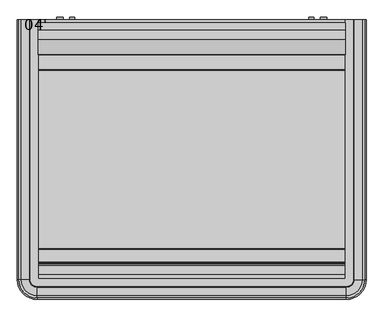
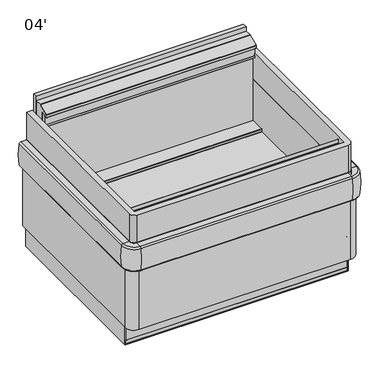
"""IFC4 building model written with IfcOpenShell, lengths in millimetres: proxy geometry, 04'."""

from ifc_helpers import new_model, si_unit, point, frame, frame_2d, origin, origin_with_axes, place, context, project, spatial, polyline, circle_curve, ellipse_curve, trimmed, segment, composite_curve, outline, extrude, source, transform, mapped, element, save
from ifc_brep_helpers import plane_surface, cylinder_surface, revolved_surface, advanced_brep


def proxy_04_933fcef0(model_context):
    return source(origin(), model_context, "Body", "SolidModel", [
        extrude(outline(composite_curve([segment(trimmed(circle_curve(frame_2d((317.9986347, 1144.8778401)), 9.525), [point((317.9986347, 1154.4028401))], [point((317.9986347, 1135.3528401))], False, "CARTESIAN"), True, "CONTINUOUS"), segment(trimmed(circle_curve(frame_2d((317.9986347, 1144.8778401)), 9.525), [point((317.9986347, 1135.3528401))], [point((317.9986347, 1154.4028401))], False, "CARTESIAN"), True, "CONTINUOUS")], self_intersect=False)), frame((0.0, -452.3089273, 0.0), z_axis=(0.0, 1.0, 0.0), x_axis=(0.0, 0.0, 1.0)), (0.0, 0.0, 1.0), 59.4000499),
        extrude(outline(composite_curve([segment(trimmed(circle_curve(frame_2d((317.9986347, 1192.9357681)), 12.7), [point((317.9986347, 1205.6357681))], [point((317.9986347, 1180.2357681))], False, "CARTESIAN"), True, "CONTINUOUS"), segment(trimmed(circle_curve(frame_2d((317.9986347, 1192.9357681)), 12.7), [point((317.9986347, 1180.2357681))], [point((317.9986347, 1205.6357681))], False, "CARTESIAN"), True, "CONTINUOUS")], self_intersect=False)), frame((0.0, -452.3089273, 0.0), z_axis=(0.0, 1.0, 0.0), x_axis=(0.0, 0.0, 1.0)), (0.0, 0.0, 1.0), 59.4000499),
        extrude(outline(composite_curve([segment(trimmed(circle_curve(frame_2d((317.9986347, 214.0221599)), 9.525), [point((317.9986347, 223.5471599))], [point((317.9986347, 204.4971599))], False, "CARTESIAN"), True, "CONTINUOUS"), segment(trimmed(circle_curve(frame_2d((317.9986347, 214.0221599)), 9.525), [point((317.9986347, 204.4971599))], [point((317.9986347, 223.5471599))], False, "CARTESIAN"), True, "CONTINUOUS")], self_intersect=False)), frame((0.0, -452.3089273, 0.0), z_axis=(0.0, 1.0, 0.0), x_axis=(0.0, 0.0, 1.0)), (0.0, 0.0, 1.0), 59.4000499),
        extrude(outline(composite_curve([segment(trimmed(circle_curve(frame_2d((317.9986347, 165.9642319)), 12.7), [point((317.9986347, 178.6642319))], [point((317.9986347, 153.2642319))], False, "CARTESIAN"), True, "CONTINUOUS"), segment(trimmed(circle_curve(frame_2d((317.9986347, 165.9642319)), 12.7), [point((317.9986347, 153.2642319))], [point((317.9986347, 178.6642319))], False, "CARTESIAN"), True, "CONTINUOUS")], self_intersect=False)), frame((0.0, -452.3089273, 0.0), z_axis=(0.0, 1.0, 0.0), x_axis=(0.0, 0.0, 1.0)), (0.0, 0.0, 1.0), 59.4000499),
        extrude(outline(composite_curve([segment(trimmed(circle_curve(frame_2d((1282.7, -1414.3339273)), 28.3221422), [point((1311.0221422, -1414.3339273))], [point((1282.7, -1442.6560695))], False, "CARTESIAN"), True, "CONTINUOUS"), segment(polyline([(1282.7, -1442.6560695), (76.2, -1442.6560695)]), True, "CONTINUOUS"), segment(trimmed(circle_curve(frame_2d((76.2, -1414.3339273)), 28.3221422), [point((76.2, -1442.6560695))], [point((47.8778578, -1414.3339273))], False, "CARTESIAN"), True, "CONTINUOUS"), segment(polyline([(47.8778578, -1414.3339273), (47.8778578, -401.5089273), (80.6024558, -401.5089273), (80.6024558, -1409.9314715), (1278.2975442, -1409.9314715), (1278.2975442, -401.5089273), (1311.0221422, -401.5089273), (1311.0221422, -1414.3339273)]), True, "CONTINUOUS")], self_intersect=False)), frame((0.0, 0.0, 235.0379424), z_axis=(0.0, 0.0, 1.0), x_axis=(1.0, 0.0, 0.0)), (0.0, 0.0, 1.0), 406.3048682),
        extrude(outline(composite_curve([segment(polyline([(1311.0221422, -401.5089273), (1333.3649889, -401.5089273), (1333.3649889, -1414.3339273)]), True, "CONTINUOUS"), segment(trimmed(circle_curve(frame_2d((1282.7, -1414.3339273)), 50.6649889), [point((1333.3649889, -1414.3339273))], [point((1282.7, -1464.9989162))], False, "CARTESIAN"), True, "CONTINUOUS"), segment(polyline([(1282.7, -1464.9989162), (76.2, -1464.9989162)]), True, "CONTINUOUS"), segment(trimmed(circle_curve(frame_2d((76.2, -1414.3339273)), 50.6649889), [point((76.2, -1464.9989162))], [point((25.5350111, -1414.3339273))], False, "CARTESIAN"), True, "CONTINUOUS"), segment(polyline([(25.5350111, -1414.3339273), (25.5350111, -401.5089273), (47.8778578, -401.5089273), (47.8778578, -1414.3339273)]), True, "CONTINUOUS"), segment(trimmed(circle_curve(frame_2d((76.2, -1414.3339273)), 28.3221422), [point((47.8778578, -1414.3339273))], [point((76.2, -1442.6560695))], True, "CARTESIAN"), True, "CONTINUOUS"), segment(polyline([(76.2, -1442.6560695), (1282.7, -1442.6560695)]), True, "CONTINUOUS"), segment(trimmed(circle_curve(frame_2d((1282.7, -1414.3339273)), 28.3221422), [point((1282.7, -1442.6560695))], [point((1311.0221422, -1414.3339273))], True, "CARTESIAN"), True, "CONTINUOUS"), segment(polyline([(1311.0221422, -1414.3339273), (1311.0221422, -401.5089273)]), True, "CONTINUOUS")], self_intersect=False)), frame((0.0, 0.0, 131.08305), z_axis=(0.0, 0.0, 1.0), x_axis=(1.0, 0.0, 0.0)), (0.0, 0.0, 1.0), 401.8781033),
        extrude(outline(composite_curve([segment(polyline([(1282.7, -1416.8739273), (76.2, -1416.8739273)]), True, "CONTINUOUS"), segment(trimmed(circle_curve(frame_2d((76.2, -1414.3339273)), 2.54), [point((76.2, -1416.8739273))], [point((73.66, -1414.3339273))], False, "CARTESIAN"), True, "CONTINUOUS"), segment(polyline([(73.66, -1414.3339273), (73.66, -401.5089273), (80.6024558, -401.5089273), (80.6024558, -1409.9314715), (1278.2975442, -1409.9314715), (1278.2975442, -401.5089273), (1285.24, -401.5089273), (1285.24, -1414.3339273)]), True, "CONTINUOUS"), segment(trimmed(circle_curve(frame_2d((1282.7, -1414.3339273)), 2.54), [point((1285.24, -1414.3339273))], [point((1282.7, -1416.8739273))], False, "CARTESIAN"), True, "CONTINUOUS")], self_intersect=False)), frame((0.0, 0.0, 131.08305), z_axis=(0.0, 0.0, 1.0), x_axis=(1.0, 0.0, 0.0)), (0.0, 0.0, 1.0), 104.2859318),
        extrude(outline(polyline([(-1292.6303734, 131.08305), (-1416.8739273, 131.08305), (-1416.8739273, 235.3689818), (-1292.6303734, 131.08305)])), frame((80.6024558, 0.0, 0.0), z_axis=(1.0, 0.0, 0.0), x_axis=(0.0, 1.0, 0.0)), (0.0, 0.0, 1.0), 1197.6950883),
        extrude(outline(composite_curve([segment(trimmed(circle_curve(frame_2d((1282.7, -1412.3863831)), 27.3475442), [point((1310.0475442, -1412.3863831))], [point((1282.7, -1439.7339273))], False, "CARTESIAN"), True, "CONTINUOUS"), segment(polyline([(1282.7, -1439.7339273), (76.2, -1439.7339273)]), True, "CONTINUOUS"), segment(trimmed(circle_curve(frame_2d((76.2, -1412.3863831)), 27.3475442), [point((76.2, -1439.7339273))], [point((48.8524558, -1412.3863831))], False, "CARTESIAN"), True, "CONTINUOUS"), segment(polyline([(48.8524558, -1412.3863831), (48.8524558, -401.5089273), (80.6024558, -401.5089273), (80.6024558, -1409.9314715), (1278.2975442, -1409.9314715), (1278.2975442, -401.5089273), (1310.0475442, -401.5089273), (1310.0475442, -1412.3863831)]), True, "CONTINUOUS")], self_intersect=False)), frame((0.0, 0.0, 605.16135), z_axis=(0.0, 0.0, 1.0), x_axis=(1.0, 0.0, 0.0)), (0.0, 0.0, 1.0), 201.2814606),
        extrude(outline(composite_curve([segment(polyline([(1285.24, -401.5089273), (1311.0221422, -401.5089273), (1311.0221422, -1414.3339273)]), True, "CONTINUOUS"), segment(trimmed(circle_curve(frame_2d((1282.7, -1414.3339273)), 28.3221422), [point((1311.0221422, -1414.3339273))], [point((1282.7, -1442.6560695))], False, "CARTESIAN"), True, "CONTINUOUS"), segment(polyline([(1282.7, -1442.6560695), (76.2, -1442.6560695)]), True, "CONTINUOUS"), segment(trimmed(circle_curve(frame_2d((76.2, -1414.3339273)), 28.3221422), [point((76.2, -1442.6560695))], [point((47.8778578, -1414.3339273))], False, "CARTESIAN"), True, "CONTINUOUS"), segment(polyline([(47.8778578, -1414.3339273), (47.8778578, -401.5089273), (73.66, -401.5089273), (73.66, -1414.3339273)]), True, "CONTINUOUS"), segment(trimmed(circle_curve(frame_2d((76.2, -1414.3339273)), 2.54), [point((73.66, -1414.3339273))], [point((76.2, -1416.8739273))], True, "CARTESIAN"), True, "CONTINUOUS"), segment(polyline([(76.2, -1416.8739273), (1282.7, -1416.8739273)]), True, "CONTINUOUS"), segment(trimmed(circle_curve(frame_2d((1282.7, -1414.3339273)), 2.54), [point((1282.7, -1416.8739273))], [point((1285.24, -1414.3339273))], True, "CARTESIAN"), True, "CONTINUOUS"), segment(polyline([(1285.24, -1414.3339273), (1285.24, -401.5089273)]), True, "CONTINUOUS")], self_intersect=False)), frame((0.0, 0.0, 131.08305), z_axis=(0.0, 0.0, 1.0), x_axis=(1.0, 0.0, 0.0)), (0.0, 0.0, 1.0), 104.2859318),
        advanced_brep(
        [(1310.0475442, -401.5089273, 641.3428106), (1343.4601969, -401.5089273, 640.221665), (1353.1473948, -401.5089273, 631.8685746), (1352.559392, -401.5089273, 502.003267), (1346.5468318, -401.5089273, 496.8639648), (1333.3649889, -401.5089273, 496.4486533), (1311.0221422, -401.5089273, 496.4486533), (1311.0221422, -401.5089273, 605.16135), (1310.0475442, -401.5089273, 605.16135), (1310.0475442, -1414.3339273, 641.3428106), (1343.4601969, -1414.3339273, 640.221665), (1353.1473948, -1414.3339273, 631.8685746), (1352.559392, -1414.3339273, 502.003267), (1346.5468318, -1414.3339273, 496.8639648), (1333.3649889, -1414.3339273, 496.4486533), (1282.7, -1464.9989162, 496.4486533), (76.2, -1464.9989162, 496.4486533), (25.5350111, -1414.3339273, 496.4486533), (25.5350111, -401.5089273, 496.4486533), (47.8778578, -401.5089273, 496.4486533), (47.8778578, -1414.3339273, 496.4486533), (76.2, -1442.6560695, 496.4486533), (1282.7, -1442.6560695, 496.4486533), (1311.0221422, -1414.3339273, 496.4486533), (1311.0221422, -1414.3339273, 605.16135), (1282.7, -1442.6560695, 605.16135), (76.2, -1442.6560695, 605.16135), (47.8778578, -1414.3339273, 605.16135), (47.8778578, -401.5089273, 605.16135), (48.8524558, -401.5089273, 605.16135), (48.8524558, -1414.3339273, 605.16135), (76.2, -1441.6814715, 605.16135), (1282.7, -1441.6814715, 605.16135), (1310.0475442, -1414.3339273, 605.16135), (1282.7, -1475.0941242, 640.221665), (1282.7, -1441.6814715, 641.3428106), (1282.7, -1484.7813221, 631.8685746), (1282.7, -1484.1933193, 502.003267), (1282.7, -1478.1807591, 496.8639648), (76.2, -1441.6814715, 641.3428106), (76.2, -1475.0941242, 640.221665), (76.2, -1484.7813221, 631.8685746), (76.2, -1484.1933193, 502.003267), (76.2, -1478.1807591, 496.8639648), (15.4398031, -1414.3339273, 640.221665), (48.8524558, -1414.3339273, 641.3428106), (5.7526052, -1414.3339273, 631.8685746), (6.340608, -1414.3339273, 502.003267), (12.3531682, -1414.3339273, 496.8639648), (48.8524558, -401.5089273, 641.3428106), (12.3531682, -401.5089273, 496.8639648), (6.340608, -401.5089273, 502.003267), (5.7526052, -401.5089273, 631.8685746), (15.4398031, -401.5089273, 640.221665)],
        [
            (0, 1),
            (1, 2, circle_curve(frame((1343.118267, -401.5089273, 630.0313881), z_axis=(0.0, 1.0, 0.0), x_axis=(1.0, 0.0, 0.0)), 10.1960119)),
            (2, 3, circle_curve(frame((1007.2255157, -401.5089273, 568.5008514), z_axis=(0.0, 1.0, 0.0), x_axis=(1.0, 0.0, 0.0)), 351.6779988)),
            (3, 4, circle_curve(frame((1346.3316277, -401.5089273, 503.202487), z_axis=(0.0, 1.0, 0.0), x_axis=(1.0, 0.0, 0.0)), 6.3421744)),
            (4, 5),
            (5, 6),
            (6, 7),
            (7, 8),
            (8, 0),
            (0, 9),
            (9, 10),
            (10, 1),
            (10, 11, circle_curve(frame((1343.118267, -1414.3339273, 630.0313881), z_axis=(0.0, 1.0, 0.0), x_axis=(1.0, 0.0, 0.0)), 10.1960119)),
            (11, 2),
            (11, 12, circle_curve(frame((1007.2255157, -1414.3339273, 568.5008514), z_axis=(0.0, 1.0, 0.0), x_axis=(1.0, 0.0, 0.0)), 351.6779988)),
            (12, 3),
            (12, 13, circle_curve(frame((1346.3316277, -1414.3339273, 503.202487), z_axis=(0.0, 1.0, 0.0), x_axis=(1.0, 0.0, 0.0)), 6.3421744)),
            (13, 4),
            (13, 14),
            (14, 5),
            (14, 15, circle_curve(frame((1282.7, -1414.3339273, 496.4486533), z_axis=(0.0, 0.0, -1.0), x_axis=(1.0, 0.0, 0.0)), 50.6649889)),
            (15, 16),
            (16, 17, circle_curve(frame((76.2, -1414.3339273, 496.4486533), z_axis=(0.0, 0.0, -1.0), x_axis=(0.0, -1.0, 0.0)), 50.6649889)),
            (17, 18),
            (18, 19),
            (19, 20),
            (20, 21, circle_curve(frame((76.2, -1414.3339273, 496.4486533), z_axis=(0.0, 0.0, 1.0), x_axis=(0.0, -1.0, 0.0)), 28.3221422)),
            (21, 22),
            (22, 23, circle_curve(frame((1282.7, -1414.3339273, 496.4486533), z_axis=(0.0, 0.0, 1.0), x_axis=(1.0, 0.0, 0.0)), 28.3221422)),
            (23, 6),
            (23, 24),
            (24, 7),
            (24, 25, circle_curve(frame((1282.7, -1414.3339273, 605.16135), z_axis=(0.0, 0.0, -1.0), x_axis=(1.0, 0.0, 0.0)), 28.3221422)),
            (25, 26),
            (26, 27, circle_curve(frame((76.2, -1414.3339273, 605.16135), z_axis=(0.0, 0.0, -1.0), x_axis=(0.0, -1.0, 0.0)), 28.3221422)),
            (27, 28),
            (28, 29),
            (29, 30),
            (30, 31, circle_curve(frame((76.2, -1414.3339273, 605.16135), z_axis=(0.0, 0.0, 1.0), x_axis=(0.0, -1.0, 0.0)), 27.3475442)),
            (31, 32),
            (32, 33, circle_curve(frame((1282.7, -1414.3339273, 605.16135), z_axis=(0.0, 0.0, 1.0), x_axis=(1.0, 0.0, 0.0)), 27.3475442)),
            (33, 8),
            (33, 9),
            (34, 10, circle_curve(frame((1282.7, -1414.3339273, 640.221665), z_axis=(0.0, 0.0, 1.0), x_axis=(1.0, 0.0, 0.0)), 60.7601969)),
            (9, 35, circle_curve(frame((1282.7, -1414.3339273, 641.3428106), z_axis=(0.0, 0.0, -1.0), x_axis=(1.0, 0.0, 0.0)), 27.3475442)),
            (35, 34),
            (36, 11, circle_curve(frame((1282.7, -1414.3339273, 631.8685746), z_axis=(0.0, 0.0, 1.0), x_axis=(1.0, 0.0, 0.0)), 70.4473948)),
            (34, 36, circle_curve(frame((1282.7, -1474.7521943, 630.0313881), z_axis=(1.0, 0.0, 0.0), x_axis=(0.0, -1.0, 0.0)), 10.1960119)),
            (37, 12, circle_curve(frame((1282.7, -1414.3339273, 502.003267), z_axis=(0.0, 0.0, 1.0), x_axis=(1.0, 0.0, 0.0)), 69.859392)),
            (36, 37, circle_curve(frame((1282.7, -1138.859443, 568.5008514), z_axis=(1.0, 0.0, 0.0), x_axis=(0.0, -1.0, 0.0)), 351.6779988)),
            (38, 13, circle_curve(frame((1282.7, -1414.3339273, 496.8639648), z_axis=(0.0, 0.0, 1.0), x_axis=(1.0, 0.0, 0.0)), 63.8468318)),
            (37, 38, circle_curve(frame((1282.7, -1477.965555, 503.202487), z_axis=(1.0, 0.0, 0.0), x_axis=(0.0, -1.0, 0.0)), 6.3421744)),
            (38, 15),
            (22, 25),
            (32, 35),
            (35, 39),
            (39, 40),
            (40, 34),
            (40, 41, circle_curve(frame((76.2, -1474.7521943, 630.0313881), z_axis=(1.0, 0.0, 0.0), x_axis=(0.0, -1.0, 0.0)), 10.1960119)),
            (41, 36),
            (41, 42, circle_curve(frame((76.2, -1138.859443, 568.5008514), z_axis=(1.0, 0.0, 0.0), x_axis=(0.0, -1.0, 0.0)), 351.6779988)),
            (42, 37),
            (42, 43, circle_curve(frame((76.2, -1477.965555, 503.202487), z_axis=(1.0, 0.0, 0.0), x_axis=(0.0, -1.0, 0.0)), 6.3421744)),
            (43, 38),
            (43, 16),
            (21, 26),
            (31, 39),
            (44, 40, circle_curve(frame((76.2, -1414.3339273, 640.221665), z_axis=(0.0, 0.0, 1.0), x_axis=(0.0, -1.0, 0.0)), 60.7601969)),
            (39, 45, circle_curve(frame((76.2, -1414.3339273, 641.3428106), z_axis=(0.0, 0.0, -1.0), x_axis=(0.0, -1.0, 0.0)), 27.3475442)),
            (45, 44),
            (46, 41, circle_curve(frame((76.2, -1414.3339273, 631.8685746), z_axis=(0.0, 0.0, 1.0), x_axis=(0.0, -1.0, 0.0)), 70.4473948)),
            (44, 46, circle_curve(frame((15.781733, -1414.3339273, 630.0313881), z_axis=(0.0, -1.0, 0.0), x_axis=(-1.0, 0.0, 0.0)), 10.1960119)),
            (47, 42, circle_curve(frame((76.2, -1414.3339273, 502.003267), z_axis=(0.0, 0.0, 1.0), x_axis=(0.0, -1.0, 0.0)), 69.859392)),
            (46, 47, circle_curve(frame((351.6744843, -1414.3339273, 568.5008514), z_axis=(0.0, -1.0, 0.0), x_axis=(-1.0, 0.0, 0.0)), 351.6779988)),
            (48, 43, circle_curve(frame((76.2, -1414.3339273, 496.8639648), z_axis=(0.0, 0.0, 1.0), x_axis=(0.0, -1.0, 0.0)), 63.8468318)),
            (47, 48, circle_curve(frame((12.5683723, -1414.3339273, 503.202487), z_axis=(0.0, -1.0, 0.0), x_axis=(-1.0, 0.0, 0.0)), 6.3421744)),
            (48, 17),
            (20, 27),
            (30, 45),
            (49, 29),
            (28, 19),
            (18, 50),
            (50, 51, circle_curve(frame((12.5683723, -401.5089273, 503.202487), z_axis=(0.0, 1.0, 0.0), x_axis=(-1.0, 0.0, 0.0)), 6.3421744)),
            (51, 52, circle_curve(frame((351.6744843, -401.5089273, 568.5008514), z_axis=(0.0, 1.0, 0.0), x_axis=(-1.0, 0.0, 0.0)), 351.6779988)),
            (52, 53, circle_curve(frame((15.781733, -401.5089273, 630.0313881), z_axis=(0.0, 1.0, 0.0), x_axis=(-1.0, 0.0, 0.0)), 10.1960119)),
            (53, 49),
            (45, 49),
            (53, 44),
            (52, 46),
            (51, 47),
            (50, 48),
        ],
        [
            plane_surface(frame((1358.9, -401.5089273, 0.0), z_axis=(0.0, 1.0, 0.0), x_axis=(0.0, 0.0, 1.0))),
            plane_surface(frame((1310.0475442, -401.5089273, 641.3428106), z_axis=(0.03353564977576261, 0.0, 0.9994375219062558), x_axis=(0.0, -1.0, 0.0))),
            cylinder_surface(frame((1343.118267, -401.5089273, 630.0313881), z_axis=(0.0, 1.0, 0.0), x_axis=(1.0, 0.0, 0.0)), 10.1960119),
            cylinder_surface(frame((1007.2255157, -401.5089273, 568.5008514), z_axis=(0.0, 1.0, 0.0), x_axis=(1.0, 0.0, 0.0)), 351.6779988),
            cylinder_surface(frame((1346.3316277, -401.5089273, 503.202487), z_axis=(0.0, 1.0, 0.0), x_axis=(1.0, 0.0, 0.0)), 6.3421744),
            plane_surface(frame((1346.5468318, -401.5089273, 496.8639648), z_axis=(0.031490711063459, 0.0, -0.9995040445724659), x_axis=(0.0, -1.0, 0.0))),
            plane_surface(frame((1333.3649889, -401.5089273, 496.4486533), z_axis=(0.0, 0.0, -1.0), x_axis=(0.0, -1.0, 0.0))),
            plane_surface(frame((1311.0221422, -401.5089273, 496.4486533), z_axis=(-1.0, 0.0, 0.0), x_axis=(0.0, -1.0, 0.0))),
            plane_surface(frame((1311.0221422, -401.5089273, 605.16135), z_axis=(0.0, 0.0, -1.0), x_axis=(0.0, -1.0, 0.0))),
            plane_surface(frame((1310.0475442, -401.5089273, 605.16135), z_axis=(-1.0, 0.0, 0.0), x_axis=(0.0, -1.0, 0.0))),
            revolved_surface(polyline([(1310.0475442, -1414.3339273, 641.3428106), (1343.4601969, -1414.3339273, 640.221665)]), (1282.7, -1414.3339273, 0.0), (0.0, 0.0, -1.0)),
            revolved_surface(trimmed(ellipse_curve(frame((1343.118267, -1414.3339273, 630.0313881), z_axis=(0.0, 1.0, 0.0), x_axis=(1.0, 0.0, 0.0)), 10.1960119, 10.1960119), [point((1343.4601969, -1414.3339273, 640.221665))], [point((1353.1473948, -1414.3339273, 631.8685746))], True, "CARTESIAN"), (1282.7, -1414.3339273, 0.0), (0.0, 0.0, -1.0)),
            revolved_surface(trimmed(ellipse_curve(frame((1007.2255157, -1414.3339273, 568.5008514), z_axis=(0.0, 1.0, 0.0), x_axis=(1.0, 0.0, 0.0)), 351.6779988, 351.6779988), [point((1353.1473948, -1414.3339273, 631.8685746))], [point((1352.559392, -1414.3339273, 502.003267))], True, "CARTESIAN"), (1282.7, -1414.3339273, 0.0), (0.0, 0.0, -1.0)),
            revolved_surface(trimmed(ellipse_curve(frame((1346.3316277, -1414.3339273, 503.202487), z_axis=(0.0, 1.0, 0.0), x_axis=(1.0, 0.0, 0.0)), 6.3421744, 6.3421744), [point((1352.559392, -1414.3339273, 502.003267))], [point((1346.5468318, -1414.3339273, 496.8639648))], True, "CARTESIAN"), (1282.7, -1414.3339273, 0.0), (0.0, 0.0, -1.0)),
            revolved_surface(polyline([(1346.5468318, -1414.3339273, 496.8639648), (1333.3649889, -1414.3339273, 496.4486533)]), (1282.7, -1414.3339273, 0.0), (0.0, 0.0, -1.0)),
            revolved_surface(polyline([(1311.0221422, -1414.3339273, 496.4486533), (1311.0221422, -1414.3339273, 605.16135)]), (1282.7, -1414.3339273, 0.0), (0.0, 0.0, -1.0)),
            revolved_surface(polyline([(1310.0475442, -1414.3339273, 605.16135), (1310.0475442, -1414.3339273, 641.3428106)]), (1282.7, -1414.3339273, 0.0), (0.0, 0.0, -1.0)),
            plane_surface(frame((1282.7, -1441.6814715, 641.3428106), z_axis=(0.0, -0.03353564977576261, 0.9994375219062558), x_axis=(-1.0, 0.0, 0.0))),
            cylinder_surface(frame((1282.7, -1474.7521943, 630.0313881), z_axis=(1.0, 0.0, 0.0), x_axis=(0.0, -1.0, 0.0)), 10.1960119),
            cylinder_surface(frame((1282.7, -1138.859443, 568.5008514), z_axis=(1.0, 0.0, 0.0), x_axis=(0.0, -1.0, 0.0)), 351.6779988),
            cylinder_surface(frame((1282.7, -1477.965555, 503.202487), z_axis=(1.0, 0.0, 0.0), x_axis=(0.0, -1.0, 0.0)), 6.3421744),
            plane_surface(frame((1282.7, -1478.1807591, 496.8639648), z_axis=(0.0, -0.031490711063459, -0.9995040445724659), x_axis=(-1.0, 0.0, 0.0))),
            plane_surface(frame((1282.7, -1442.6560695, 496.4486533), z_axis=(0.0, 1.0, 0.0), x_axis=(-1.0, 0.0, 0.0))),
            plane_surface(frame((1282.7, -1441.6814715, 605.16135), z_axis=(0.0, 1.0, 0.0), x_axis=(-1.0, 0.0, 0.0))),
            revolved_surface(polyline([(76.2, -1441.6814715, 641.3428106), (76.2, -1475.0941242, 640.221665)]), (76.2, -1414.3339273, 0.0), (0.0, 0.0, -1.0)),
            revolved_surface(trimmed(ellipse_curve(frame((76.2, -1474.7521943, 630.0313881), z_axis=(1.0, 0.0, 0.0), x_axis=(0.0, -1.0, 0.0)), 10.1960119, 10.1960119), [point((76.2, -1475.0941242, 640.221665))], [point((76.2, -1484.7813221, 631.8685746))], True, "CARTESIAN"), (76.2, -1414.3339273, 0.0), (0.0, 0.0, -1.0)),
            revolved_surface(trimmed(ellipse_curve(frame((76.2, -1138.859443, 568.5008514), z_axis=(1.0, 0.0, 0.0), x_axis=(0.0, -1.0, 0.0)), 351.6779988, 351.6779988), [point((76.2, -1484.7813221, 631.8685746))], [point((76.2, -1484.1933193, 502.003267))], True, "CARTESIAN"), (76.2, -1414.3339273, 0.0), (0.0, 0.0, -1.0)),
            revolved_surface(trimmed(ellipse_curve(frame((76.2, -1477.965555, 503.202487), z_axis=(1.0, 0.0, 0.0), x_axis=(0.0, -1.0, 0.0)), 6.3421744, 6.3421744), [point((76.2, -1484.1933193, 502.003267))], [point((76.2, -1478.1807591, 496.8639648))], True, "CARTESIAN"), (76.2, -1414.3339273, 0.0), (0.0, 0.0, -1.0)),
            revolved_surface(polyline([(76.2, -1478.1807591, 496.8639648), (76.2, -1464.9989162, 496.4486533)]), (76.2, -1414.3339273, 0.0), (0.0, 0.0, -1.0)),
            revolved_surface(polyline([(76.2, -1442.6560694999998, 496.4486533), (76.2, -1442.6560694999998, 605.16135)]), (76.2, -1414.3339273, 0.0), (0.0, 0.0, -1.0)),
            revolved_surface(polyline([(76.2, -1441.6814714999998, 605.16135), (76.2, -1441.6814714999998, 641.3428106)]), (76.2, -1414.3339273, 0.0), (0.0, 0.0, -1.0)),
            plane_surface(frame((0.0, -401.5089273, 0.0), z_axis=(0.0, 1.0, 0.0), x_axis=(0.0, 0.0, 1.0))),
            plane_surface(frame((48.8524558, -1414.3339273, 641.3428106), z_axis=(-0.03353564977576261, 0.0, 0.9994375219062558), x_axis=(0.0, 1.0, 0.0))),
            cylinder_surface(frame((15.781733, -1414.3339273, 630.0313881), z_axis=(0.0, -1.0, 0.0), x_axis=(-1.0, 0.0, 0.0)), 10.1960119),
            cylinder_surface(frame((351.6744843, -1414.3339273, 568.5008514), z_axis=(0.0, -1.0, 0.0), x_axis=(-1.0, 0.0, 0.0)), 351.6779988),
            cylinder_surface(frame((12.5683723, -1414.3339273, 503.202487), z_axis=(0.0, -1.0, 0.0), x_axis=(-1.0, 0.0, 0.0)), 6.3421744),
            plane_surface(frame((12.3531682, -1414.3339273, 496.8639648), z_axis=(-0.031490711063459, 0.0, -0.9995040445724659), x_axis=(0.0, 1.0, 0.0))),
            plane_surface(frame((47.8778578, -1414.3339273, 496.4486533), z_axis=(1.0, 0.0, 0.0), x_axis=(0.0, 1.0, 0.0))),
            plane_surface(frame((48.8524558, -1414.3339273, 605.16135), z_axis=(1.0, 0.0, 0.0), x_axis=(0.0, 1.0, 0.0))),
        ],
        [
            (0, [[1, 2, 3, 4, 5, 6, 7, 8, 9]]),
            (1, [[-1, 10, 11, 12]]),
            (2, [[-2, -12, 13, 14]]),
            (3, [[-3, -14, 15, 16]]),
            (4, [[-4, -16, 17, 18]]),
            (5, [[-5, -18, 19, 20]]),
            (6, [[-6, -20, 21, 22, 23, 24, 25, 26, 27, 28, 29, 30]]),
            (7, [[-7, -30, 31, 32]]),
            (8, [[-8, -32, 33, 34, 35, 36, 37, 38, 39, 40, 41, 42]]),
            (9, [[-9, -42, 43, -10]]),
            (10, [[44, -11, 45, 46]]),
            (11, [[47, -13, -44, 48]]),
            (12, [[49, -15, -47, 50]]),
            (13, [[51, -17, -49, 52]]),
            (14, [[-21, -19, -51, 53]]),
            (15, [[-33, -31, -29, 54]]),
            (16, [[-45, -43, -41, 55]]),
            (17, [[-46, 56, 57, 58]]),
            (18, [[-48, -58, 59, 60]]),
            (19, [[-50, -60, 61, 62]]),
            (20, [[-52, -62, 63, 64]]),
            (21, [[-53, -64, 65, -22]]),
            (22, [[-54, -28, 66, -34]]),
            (23, [[-55, -40, 67, -56]]),
            (24, [[68, -57, 69, 70]]),
            (25, [[71, -59, -68, 72]]),
            (26, [[73, -61, -71, 74]]),
            (27, [[75, -63, -73, 76]]),
            (28, [[-23, -65, -75, 77]]),
            (29, [[-35, -66, -27, 78]]),
            (30, [[-69, -67, -39, 79]]),
            (31, [[80, -37, 81, -25, 82, 83, 84, 85, 86]]),
            (32, [[-70, 87, -86, 88]]),
            (33, [[-72, -88, -85, 89]]),
            (34, [[-74, -89, -84, 90]]),
            (35, [[-76, -90, -83, 91]]),
            (36, [[-77, -91, -82, -24]]),
            (37, [[-78, -26, -81, -36]]),
            (38, [[-79, -38, -80, -87]]),
        ],
    ),
        extrude(outline(polyline([(1278.2975442, -1349.9979946), (1278.2975442, -1352.3601946), (80.6024558, -1352.3601946), (80.6024558, -1349.9979946), (1278.2975442, -1349.9979946)])), frame((0.0, 0.0, 768.3976297), z_axis=(0.0, 0.0, 1.0), x_axis=(1.0, 0.0, 0.0)), (0.0, 0.0, 1.0), 20.6375),
        extrude(outline(composite_curve([segment(polyline([(-466.0260695, 638.82905), (-466.0260695, 362.9185642), (-510.0315695, 362.9185642), (-510.0315695, 779.5768), (-525.4398445, 779.5768), (-525.4398445, 792.2768), (-524.6524445, 792.2768), (-524.6524445, 781.1008)]), True, "CONTINUOUS"), segment(trimmed(circle_curve(frame_2d((-523.9158445, 781.1008)), 0.7366), [point((-524.6524445, 781.1008))], [point((-523.9158445, 780.3642))], True, "CARTESIAN"), True, "CONTINUOUS"), segment(polyline([(-523.9158445, 780.3642), (-500.8399445, 780.3642), (-500.8399445, 855.6763586), (-524.6524445, 855.6763586), (-524.6524445, 844.8689886), (-537.4667445, 844.8689886)]), True, "CONTINUOUS"), segment(trimmed(circle_curve(frame_2d((-537.4667445, 846.4183886)), 1.5494), [point((-537.4667445, 844.8689886))], [point((-539.0161445, 846.4183886))], False, "CARTESIAN"), True, "CONTINUOUS"), segment(polyline([(-539.0161445, 846.4183886), (-539.0161445, 862.1408304)]), True, "CONTINUOUS"), segment(trimmed(circle_curve(frame_2d((-537.4002125, 862.0942442)), 1.6166033), [point((-539.0161445, 862.1408304))], [point((-537.9966705, 863.5967902))], False, "CARTESIAN"), True, "CONTINUOUS"), segment(polyline([(-537.9966705, 863.5967902), (-478.0021695, 887.4125), (-478.0021695, 889.0), (-440.3466695, 889.0), (-440.3466695, 638.82905), (-466.0260695, 638.82905)]), True, "CONTINUOUS")], self_intersect=False)), frame((80.6024558, 0.0, 0.0), z_axis=(1.0, 0.0, 0.0), x_axis=(0.0, 1.0, 0.0)), (0.0, 0.0, 1.0), 1197.6950883),
        advanced_brep(
        [(1278.2975442, -416.2166695, 638.82905), (1278.2975442, -466.0260695, 638.82905), (1278.2975442, -466.0260695, 364.8788408), (1278.2975442, -613.5486301, 212.1147573), (1278.2975442, -1032.7470331, 197.4760265), (1278.2975442, -1112.6544304, 157.1215157), (1278.2975442, -1169.5157709, 155.1358739), (1278.2975442, -1255.0235804, 191.0703964), (1278.2975442, -1392.8681146, 343.1885855), (1278.2975442, -1392.8681146, 388.372604), (1278.2975442, -1442.6560695, 388.372604), (1278.2975442, -1442.6560695, 257.0096595), (1278.2975442, -1292.6303734, 131.08305), (1278.2975442, -416.2166695, 131.08305), (80.6024558, -416.2166695, 638.82905), (80.6024558, -416.2166695, 131.08305), (80.6024558, -1292.6303734, 131.08305), (80.6024558, -1442.6560695, 257.0096595), (80.6024558, -1442.6560695, 388.372604), (80.6024558, -1392.8681146, 388.372604), (80.6024558, -1392.8681146, 343.1885855), (80.6024558, -1255.0235804, 191.0703964), (80.6024558, -1169.5157709, 155.1358739), (80.6024558, -1112.6544304, 157.1215157), (80.6024558, -1032.7470331, 197.4760265), (80.6024558, -613.5486301, 212.1147573), (80.6024558, -466.0260695, 364.8788408), (80.6024558, -466.0260695, 638.82905), (1221.446052, -416.2166695, 317.5), (1119.846052, -416.2166695, 317.5), (239.053948, -416.2166695, 317.5), (137.453948, -416.2166695, 317.5), (1119.846052, -452.3089273, 317.5), (1221.446052, -452.3089273, 317.5), (137.453948, -452.3089273, 317.5), (239.053948, -452.3089273, 317.5)],
        [
            (0, 1),
            (1, 2),
            (2, 3, circle_curve(frame((1278.2975442, -618.8832695, 364.8788408), z_axis=(-1.0, 0.0, 0.0), x_axis=(0.0, 1.0, 0.0)), 152.8572)),
            (3, 4),
            (4, 5),
            (5, 6),
            (6, 7),
            (7, 8, circle_curve(frame((1278.2975442, -1240.0109146, 343.1885855), z_axis=(-1.0, 0.0, 0.0), x_axis=(0.0, 1.0, 0.0)), 152.8572)),
            (8, 9),
            (9, 10),
            (10, 11),
            (11, 12),
            (12, 13),
            (13, 0),
            (14, 15),
            (15, 16),
            (16, 17),
            (17, 18),
            (18, 19),
            (19, 20),
            (20, 21, circle_curve(frame((80.6024558, -1240.0109146, 343.1885855), z_axis=(1.0, 0.0, 0.0), x_axis=(0.0, 1.0, 0.0)), 152.8572)),
            (21, 22),
            (22, 23),
            (23, 24),
            (24, 25),
            (25, 26, circle_curve(frame((80.6024558, -618.8832695, 364.8788408), z_axis=(1.0, 0.0, 0.0), x_axis=(0.0, 1.0, 0.0)), 152.8572)),
            (26, 27),
            (27, 14),
            (0, 14),
            (27, 1),
            (26, 2),
            (25, 3),
            (24, 4),
            (23, 5),
            (22, 6),
            (21, 7),
            (20, 8),
            (19, 9),
            (18, 10),
            (17, 11),
            (16, 12),
            (15, 13),
            (28, 29, circle_curve(frame((1170.646052, -416.2166695, 317.5), z_axis=(0.0, -1.0, 0.0), x_axis=(1.0, 0.0, 0.0)), 50.8)),
            (29, 28, circle_curve(frame((1170.646052, -416.2166695, 317.5), z_axis=(0.0, -1.0, 0.0), x_axis=(1.0, 0.0, 0.0)), 50.8)),
            (30, 31, circle_curve(frame((188.253948, -416.2166695, 317.5), z_axis=(0.0, -1.0, 0.0), x_axis=(1.0, 0.0, 0.0)), 50.8)),
            (31, 30, circle_curve(frame((188.253948, -416.2166695, 317.5), z_axis=(0.0, -1.0, 0.0), x_axis=(1.0, 0.0, 0.0)), 50.8)),
            (32, 33, circle_curve(frame((1170.646052, -452.3089273, 317.5), z_axis=(0.0, 1.0, 0.0), x_axis=(1.0, 0.0, 0.0)), 50.8)),
            (33, 32, circle_curve(frame((1170.646052, -452.3089273, 317.5), z_axis=(0.0, 1.0, 0.0), x_axis=(1.0, 0.0, 0.0)), 50.8)),
            (34, 35, circle_curve(frame((188.253948, -452.3089273, 317.5), z_axis=(0.0, 1.0, 0.0), x_axis=(1.0, 0.0, 0.0)), 50.8)),
            (35, 34, circle_curve(frame((188.253948, -452.3089273, 317.5), z_axis=(0.0, 1.0, 0.0), x_axis=(1.0, 0.0, 0.0)), 50.8)),
            (32, 29),
            (28, 33),
            (34, 31),
            (30, 35),
        ],
        [
            plane_surface(frame((1278.2975442, -466.0260695, 638.82905), z_axis=(1.0, 0.0, 0.0), x_axis=(0.0, -1.0, 0.0))),
            plane_surface(frame((80.6024558, -466.0260695, 638.82905), z_axis=(-1.0, 0.0, 0.0), x_axis=(0.0, 1.0, 0.0))),
            plane_surface(frame((1278.2975442, -416.2166695, 638.82905), z_axis=(0.0, 0.0, 1.0), x_axis=(-1.0, 0.0, 0.0))),
            plane_surface(frame((1278.2975442, -466.0260695, 638.82905), z_axis=(0.0, -1.0, 0.0), x_axis=(-1.0, 0.0, 0.0))),
            revolved_surface(polyline([(80.6024558, -466.02606949999995, 364.8788408), (1278.2975442, -466.02606949999995, 364.8788408)]), (80.6024558, -618.8832695, 364.8788408), (-1.0, 0.0, 0.0)),
            plane_surface(frame((1278.2975442, -613.5486301, 212.1147573), z_axis=(0.0, -0.034899496705038516, 0.9993908270190072), x_axis=(-1.0, 0.0, 0.0))),
            plane_surface(frame((1278.2975442, -1032.7470331, 197.4760265), z_axis=(0.0, -0.4507919213678725, 0.8926290627295651), x_axis=(-1.0, 0.0, 0.0))),
            plane_surface(frame((1278.2975442, -1112.6544304, 157.1215157), z_axis=(0.0, -0.03489949669678891, 0.9993908270192952), x_axis=(-1.0, 0.0, 0.0))),
            plane_surface(frame((1278.2975442, -1169.5157709, 155.1358739), z_axis=(0.0, 0.38742715904067593, 0.9219003180592091), x_axis=(-1.0, 0.0, 0.0))),
            revolved_surface(polyline([(80.6024558, -1087.1537146, 343.1885855), (1278.2975442, -1087.1537146, 343.1885855)]), (80.6024558, -1240.0109146, 343.1885855), (-1.0, 0.0, 0.0)),
            plane_surface(frame((1278.2975442, -1392.8681146, 343.1885855), z_axis=(0.0, 1.0, 0.0), x_axis=(-1.0, 0.0, 0.0))),
            plane_surface(frame((1278.2975442, -1392.8681146, 388.372604), z_axis=(0.0, 0.0, 1.0), x_axis=(-1.0, 0.0, 0.0))),
            plane_surface(frame((1278.2975442, -1442.6560695, 388.372604), z_axis=(0.0, -1.0, 0.0), x_axis=(-1.0, 0.0, 0.0))),
            plane_surface(frame((1278.2975442, -1442.6560695, 257.0096595), z_axis=(0.0, -0.6429077504905873, -0.7659436169582804), x_axis=(-1.0, 0.0, 0.0))),
            plane_surface(frame((1278.2975442, -1292.6303734, 131.08305), z_axis=(0.0, 0.0, -1.0), x_axis=(-1.0, 0.0, 0.0))),
            plane_surface(frame((1278.2975442, -416.2166695, 131.08305), z_axis=(0.0, 1.0, 0.0), x_axis=(-1.0, 0.0, 0.0))),
            plane_surface(frame((1170.646052, -452.3089273, 0.0), z_axis=(0.0, 1.0, 0.0), x_axis=(0.0, 0.0, 1.0))),
            revolved_surface(polyline([(1221.446052, -416.2166695, 317.5), (1221.446052, -452.3089273, 317.5)]), (1170.646052, -401.5089273, 317.5), (0.0, 1.0, 0.0)),
            revolved_surface(polyline([(239.053948, -416.2166695, 317.5), (239.053948, -452.3089273, 317.5)]), (188.253948, -401.5089273, 317.5), (0.0, 1.0, 0.0)),
        ],
        [
            (0, [[1, 2, 3, 4, 5, 6, 7, 8, 9, 10, 11, 12, 13, 14]]),
            (1, [[15, 16, 17, 18, 19, 20, 21, 22, 23, 24, 25, 26, 27, 28]]),
            (2, [[-1, 29, -28, 30]]),
            (3, [[-2, -30, -27, 31]]),
            (4, [[-3, -31, -26, 32]]),
            (5, [[-4, -32, -25, 33]]),
            (6, [[-5, -33, -24, 34]]),
            (7, [[-6, -34, -23, 35]]),
            (8, [[-7, -35, -22, 36]]),
            (9, [[-8, -36, -21, 37]]),
            (10, [[-9, -37, -20, 38]]),
            (11, [[-10, -38, -19, 39]]),
            (12, [[-11, -39, -18, 40]]),
            (13, [[-12, -40, -17, 41]]),
            (14, [[-13, -41, -16, 42]]),
            (15, [[-14, -42, -15, -29], [43, 44], [45, 46]]),
            (16, [[47, 48]]),
            (16, [[49, 50]]),
            (17, [[-47, 51, -43, 52]]),
            (17, [[-48, -52, -44, -51]]),
            (18, [[-49, 53, -45, 54]]),
            (18, [[-50, -54, -46, -53]]),
        ],
    ),
        advanced_brep(
        [(1278.2975442, -413.2194695, 654.37385), (1278.2975442, -413.2194695, 638.82905), (1278.2975442, -416.2166695, 638.82905), (1278.2975442, -416.2166695, 131.08305), (1278.2975442, -401.5089273, 131.08305), (1278.2975442, -401.5089273, 654.37385), (80.6024558, -413.2194695, 654.37385), (80.6024558, -401.5089273, 654.37385), (80.6024558, -401.5089273, 131.08305), (80.6024558, -416.2166695, 131.08305), (80.6024558, -416.2166695, 638.82905), (80.6024558, -413.2194695, 638.82905), (1119.846052, -416.2166695, 317.5), (1221.446052, -416.2166695, 317.5), (137.453948, -416.2166695, 317.5), (239.053948, -416.2166695, 317.5), (1221.446052, -401.5089273, 317.5), (1119.846052, -401.5089273, 317.5), (239.053948, -401.5089273, 317.5), (137.453948, -401.5089273, 317.5)],
        [
            (0, 1),
            (1, 2),
            (2, 3),
            (3, 4),
            (4, 5),
            (5, 0),
            (6, 7),
            (7, 8),
            (8, 9),
            (9, 10),
            (10, 11),
            (11, 6),
            (0, 6),
            (11, 1),
            (10, 2),
            (9, 3),
            (12, 13, circle_curve(frame((1170.646052, -416.2166695, 317.5), z_axis=(0.0, 1.0, 0.0), x_axis=(1.0, 0.0, 0.0)), 50.8)),
            (13, 12, circle_curve(frame((1170.646052, -416.2166695, 317.5), z_axis=(0.0, 1.0, 0.0), x_axis=(1.0, 0.0, 0.0)), 50.8)),
            (14, 15, circle_curve(frame((188.253948, -416.2166695, 317.5), z_axis=(0.0, 1.0, 0.0), x_axis=(1.0, 0.0, 0.0)), 50.8)),
            (15, 14, circle_curve(frame((188.253948, -416.2166695, 317.5), z_axis=(0.0, 1.0, 0.0), x_axis=(1.0, 0.0, 0.0)), 50.8)),
            (8, 4),
            (7, 5),
            (16, 17, circle_curve(frame((1170.646052, -401.5089273, 317.5), z_axis=(0.0, -1.0, 0.0), x_axis=(1.0, 0.0, 0.0)), 50.8)),
            (17, 16, circle_curve(frame((1170.646052, -401.5089273, 317.5), z_axis=(0.0, -1.0, 0.0), x_axis=(1.0, 0.0, 0.0)), 50.8)),
            (18, 19, circle_curve(frame((188.253948, -401.5089273, 317.5), z_axis=(0.0, -1.0, 0.0), x_axis=(1.0, 0.0, 0.0)), 50.8)),
            (19, 18, circle_curve(frame((188.253948, -401.5089273, 317.5), z_axis=(0.0, -1.0, 0.0), x_axis=(1.0, 0.0, 0.0)), 50.8)),
            (12, 17),
            (16, 13),
            (14, 19),
            (18, 15),
        ],
        [
            plane_surface(frame((1278.2975442, -413.2194695, 638.82905), z_axis=(1.0, 0.0, 0.0), x_axis=(0.0, 0.0, -1.0))),
            plane_surface(frame((80.6024558, -413.2194695, 638.82905), z_axis=(-1.0, 0.0, 0.0), x_axis=(0.0, 0.0, 1.0))),
            plane_surface(frame((1278.2975442, -413.2194695, 654.37385), z_axis=(0.0, -1.0, 0.0), x_axis=(-1.0, 0.0, 0.0))),
            plane_surface(frame((1278.2975442, -413.2194695, 638.82905), z_axis=(0.0, 0.0, 1.0), x_axis=(-1.0, 0.0, 0.0))),
            plane_surface(frame((1278.2975442, -416.2166695, 638.82905), z_axis=(0.0, -1.0, 0.0), x_axis=(-1.0, 0.0, 0.0))),
            plane_surface(frame((1278.2975442, -416.2166695, 131.08305), z_axis=(0.0, 0.0, -1.0), x_axis=(-1.0, 0.0, 0.0))),
            plane_surface(frame((1278.2975442, -401.5089273, 131.08305), z_axis=(0.0, 1.0, 0.0), x_axis=(-1.0, 0.0, 0.0))),
            plane_surface(frame((1278.2975442, -401.5089273, 654.37385), z_axis=(0.0, 0.0, 1.0), x_axis=(-1.0, 0.0, 0.0))),
            revolved_surface(polyline([(1221.446052, -401.5089273, 317.5), (1221.446052, -416.2166695, 317.5)]), (1170.646052, -401.5089273, 317.5), (0.0, 1.0, 0.0)),
            revolved_surface(polyline([(239.053948, -401.5089273, 317.5), (239.053948, -416.2166695, 317.5)]), (188.253948, -401.5089273, 317.5), (0.0, 1.0, 0.0)),
        ],
        [
            (0, [[1, 2, 3, 4, 5, 6]]),
            (1, [[7, 8, 9, 10, 11, 12]]),
            (2, [[-1, 13, -12, 14]]),
            (3, [[-2, -14, -11, 15]]),
            (4, [[-3, -15, -10, 16], [17, 18], [19, 20]]),
            (5, [[-4, -16, -9, 21]]),
            (6, [[-5, -21, -8, 22], [23, 24], [25, 26]]),
            (7, [[-6, -22, -7, -13]]),
            (8, [[27, -23, 28, -17]]),
            (8, [[-27, -18, -28, -24]]),
            (9, [[29, -25, 30, -19]]),
            (9, [[-29, -20, -30, -26]]),
        ],
    ),
        extrude(outline(polyline([(272.7761742, -448.8255805), (485.5011742, -448.8255805), (485.5011742, -508.7774445), (272.7761742, -508.7774445), (272.7761742, -448.8255805)])), frame((0.0, 0.0, 124.73305), z_axis=(0.0, 0.0, 1.0), x_axis=(1.0, 0.0, 0.0)), (0.0, 0.0, 1.0), 6.35),
        extrude(outline(composite_curve([segment(trimmed(circle_curve(frame_2d((1003.0293492, -1137.9967893)), 38.1), [point((964.9293492, -1137.9967893))], [point((1041.1293492, -1137.9967893))], False, "CARTESIAN"), True, "CONTINUOUS"), segment(trimmed(circle_curve(frame_2d((1003.0293492, -1137.9967893)), 38.1), [point((1041.1293492, -1137.9967893))], [point((964.9293492, -1137.9967893))], False, "CARTESIAN"), True, "CONTINUOUS")], self_intersect=False)), frame((0.0, 0.0, 90.1745678), z_axis=(0.0, 0.0, 1.0), x_axis=(1.0, 0.0, 0.0)), (0.0, 0.0, 1.0), 62.9331054),
        advanced_brep(
        [(1311.0221422, -1282.3185805, 0.0), (1311.0221422, -1277.1623805, 5.1562), (1311.0221422, -1277.1623805, 24.9047), (1311.0221422, -1279.9309805, 24.9047), (1311.0221422, -1279.9309805, 94.0181), (1311.0221422, -494.7650273, 94.0181), (1311.0221422, -494.7650273, 24.9047), (1311.0221422, -502.6765535, 24.9047), (1311.0221422, -502.6765535, 5.1562), (1311.0221422, -497.5203535, 0.0), (1311.0221422, -406.6651273, 0.0), (1311.0221422, -401.5089273, 5.1562), (1311.0221422, -401.5089273, 24.892), (1311.0221422, -404.2775273, 24.892), (1311.0221422, -404.2775273, 129.49555), (1311.0221422, -1379.3719695, 129.49555), (1311.0221422, -1379.3719695, 24.892), (1311.0221422, -1382.1405695, 24.892), (1311.0221422, -1382.1405695, 5.1562), (1311.0221422, -1376.9843695, 0.0), (47.8778578, -1282.3185805, 0.0), (47.8778578, -1376.9843695, 0.0), (47.8778578, -1382.1405695, 5.1562), (47.8778578, -1382.1405695, 24.892), (47.8778578, -1379.3719695, 24.892), (47.8778578, -1379.3719695, 129.49555), (47.8778578, -404.2775273, 129.49555), (47.8778578, -404.2775273, 24.892), (47.8778578, -401.5089273, 24.892), (47.8778578, -401.5089273, 5.1562), (47.8778578, -406.6651273, 0.0), (47.8778578, -497.5203535, 0.0), (47.8778578, -502.6765535, 5.1562), (47.8778578, -502.6765535, 24.9047), (47.8778578, -494.7650273, 24.9047), (47.8778578, -494.7650273, 94.0181), (47.8778578, -1279.9309805, 94.0181), (47.8778578, -1279.9309805, 24.9047), (47.8778578, -1277.1623805, 24.9047), (47.8778578, -1277.1623805, 5.1562), (952.2293492, -1137.9967893, 94.0181), (1053.8293492, -1137.9967893, 94.0181), (1053.8293492, -1137.9967893, 129.49555), (952.2293492, -1137.9967893, 129.49555)],
        [
            (0, 1, circle_curve(frame((1311.0221422, -1282.3185805, 5.1562), z_axis=(1.0, 0.0, 0.0), x_axis=(0.0, 1.0, 0.0)), 5.1562)),
            (1, 2),
            (2, 3),
            (3, 4),
            (4, 5),
            (5, 6),
            (6, 7),
            (7, 8),
            (8, 9, circle_curve(frame((1311.0221422, -497.5203535, 5.1562), z_axis=(1.0, 0.0, 0.0), x_axis=(0.0, 1.0, 0.0)), 5.1562)),
            (9, 10),
            (10, 11, circle_curve(frame((1311.0221422, -406.6651273, 5.1562), z_axis=(1.0, 0.0, 0.0), x_axis=(0.0, 1.0, 0.0)), 5.1562)),
            (11, 12),
            (12, 13),
            (13, 14),
            (14, 15),
            (15, 16),
            (16, 17),
            (17, 18),
            (18, 19, circle_curve(frame((1311.0221422, -1376.9843695, 5.1562), z_axis=(1.0, 0.0, 0.0), x_axis=(0.0, 1.0, 0.0)), 5.1562)),
            (19, 0),
            (20, 21),
            (21, 22, circle_curve(frame((47.8778578, -1376.9843695, 5.1562), z_axis=(-1.0, 0.0, 0.0), x_axis=(0.0, 1.0, 0.0)), 5.1562)),
            (22, 23),
            (23, 24),
            (24, 25),
            (25, 26),
            (26, 27),
            (27, 28),
            (28, 29),
            (29, 30, circle_curve(frame((47.8778578, -406.6651273, 5.1562), z_axis=(-1.0, 0.0, 0.0), x_axis=(0.0, 1.0, 0.0)), 5.1562)),
            (30, 31),
            (31, 32, circle_curve(frame((47.8778578, -497.5203535, 5.1562), z_axis=(-1.0, 0.0, 0.0), x_axis=(0.0, 1.0, 0.0)), 5.1562)),
            (32, 33),
            (33, 34),
            (34, 35),
            (35, 36),
            (36, 37),
            (37, 38),
            (38, 39),
            (39, 20, circle_curve(frame((47.8778578, -1282.3185805, 5.1562), z_axis=(-1.0, 0.0, 0.0), x_axis=(0.0, 1.0, 0.0)), 5.1562)),
            (3, 37),
            (36, 4),
            (35, 5),
            (40, 41, circle_curve(frame((1003.0293492, -1137.9967893, 94.0181), z_axis=(0.0, 0.0, 1.0), x_axis=(1.0, 0.0, 0.0)), 50.8)),
            (41, 40, circle_curve(frame((1003.0293492, -1137.9967893, 94.0181), z_axis=(0.0, 0.0, 1.0), x_axis=(1.0, 0.0, 0.0)), 50.8)),
            (34, 6),
            (33, 7),
            (32, 8),
            (31, 9),
            (30, 10),
            (29, 11),
            (28, 12),
            (27, 13),
            (26, 14),
            (25, 15),
            (42, 43, circle_curve(frame((1003.0293492, -1137.9967893, 129.49555), z_axis=(0.0, 0.0, -1.0), x_axis=(1.0, 0.0, 0.0)), 50.8)),
            (43, 42, circle_curve(frame((1003.0293492, -1137.9967893, 129.49555), z_axis=(0.0, 0.0, -1.0), x_axis=(1.0, 0.0, 0.0)), 50.8)),
            (24, 16),
            (23, 17),
            (22, 18),
            (21, 19),
            (20, 0),
            (39, 1),
            (40, 43),
            (42, 41),
            (38, 2),
        ],
        [
            plane_surface(frame((1311.0221422, -1277.1623805, 5.1562), z_axis=(1.0, 0.0, 0.0), x_axis=(0.0, 0.0, 1.0))),
            plane_surface(frame((47.8778578, -1277.1623805, 5.1562), z_axis=(-1.0, 0.0, 0.0), x_axis=(0.0, 0.0, -1.0))),
            plane_surface(frame((1311.0221422, -1279.9309805, 24.9047), z_axis=(0.0, 1.0, 0.0), x_axis=(-1.0, 0.0, 0.0))),
            plane_surface(frame((1311.0221422, -1279.9309805, 94.0181), z_axis=(0.0, 0.0, -1.0), x_axis=(-1.0, 0.0, 0.0))),
            plane_surface(frame((1311.0221422, -494.7650273, 94.0181), z_axis=(0.0, -1.0, 0.0), x_axis=(-1.0, 0.0, 0.0))),
            plane_surface(frame((1311.0221422, -494.7650273, 24.9047), z_axis=(0.0, 0.0, 1.0), x_axis=(-1.0, 0.0, 0.0))),
            plane_surface(frame((1311.0221422, -502.6765535, 24.9047), z_axis=(0.0, -1.0, 0.0), x_axis=(-1.0, 0.0, 0.0))),
            cylinder_surface(frame((47.8778578, -497.5203535, 5.1562), z_axis=(1.0, 0.0, 0.0), x_axis=(0.0, 1.0, 0.0)), 5.1562),
            plane_surface(frame((1311.0221422, -497.5203535, 0.0), z_axis=(0.0, 0.0, -1.0), x_axis=(-1.0, 0.0, 0.0))),
            cylinder_surface(frame((47.8778578, -406.6651273, 5.1562), z_axis=(1.0, 0.0, 0.0), x_axis=(0.0, 1.0, 0.0)), 5.1562),
            plane_surface(frame((1311.0221422, -401.5089273, 5.1562), z_axis=(0.0, 1.0, 0.0), x_axis=(-1.0, 0.0, 0.0))),
            plane_surface(frame((1311.0221422, -401.5089273, 24.892), z_axis=(0.0, 0.0, 1.0), x_axis=(-1.0, 0.0, 0.0))),
            plane_surface(frame((1311.0221422, -404.2775273, 24.892), z_axis=(0.0, 1.0, 0.0), x_axis=(-1.0, 0.0, 0.0))),
            plane_surface(frame((1311.0221422, -404.2775273, 129.49555), z_axis=(0.0, 0.0, 1.0), x_axis=(-1.0, 0.0, 0.0))),
            plane_surface(frame((1311.0221422, -1379.3719695, 129.49555), z_axis=(0.0, -1.0, 0.0), x_axis=(-1.0, 0.0, 0.0))),
            plane_surface(frame((1311.0221422, -1379.3719695, 24.892), z_axis=(0.0, 0.0, 1.0), x_axis=(-1.0, 0.0, 0.0))),
            plane_surface(frame((1311.0221422, -1382.1405695, 24.892), z_axis=(0.0, -1.0, 0.0), x_axis=(-1.0, 0.0, 0.0))),
            cylinder_surface(frame((47.8778578, -1376.9843695, 5.1562), z_axis=(1.0, 0.0, 0.0), x_axis=(0.0, 1.0, 0.0)), 5.1562),
            plane_surface(frame((1311.0221422, -1376.9843695, 0.0), z_axis=(0.0, 0.0, -1.0), x_axis=(-1.0, 0.0, 0.0))),
            cylinder_surface(frame((47.8778578, -1282.3185805, 5.1562), z_axis=(1.0, 0.0, 0.0), x_axis=(0.0, 1.0, 0.0)), 5.1562),
            revolved_surface(polyline([(1053.8293492, -1137.9967893, 129.49555), (1053.8293492, -1137.9967893, 94.0181)]), (1003.0293492, -1137.9967893, 90.1745678), (0.0, 0.0, 1.0)),
            plane_surface(frame((1311.0221422, -1277.1623805, 5.1562), z_axis=(0.0, 1.0, 0.0), x_axis=(-1.0, 0.0, 0.0))),
            plane_surface(frame((1311.0221422, -1277.1623805, 24.9047), z_axis=(0.0, 0.0, 1.0), x_axis=(-1.0, 0.0, 0.0))),
        ],
        [
            (0, [[1, 2, 3, 4, 5, 6, 7, 8, 9, 10, 11, 12, 13, 14, 15, 16, 17, 18, 19, 20]]),
            (1, [[21, 22, 23, 24, 25, 26, 27, 28, 29, 30, 31, 32, 33, 34, 35, 36, 37, 38, 39, 40]]),
            (2, [[-4, 41, -37, 42]]),
            (3, [[-5, -42, -36, 43], [44, 45]]),
            (4, [[-6, -43, -35, 46]]),
            (5, [[-7, -46, -34, 47]]),
            (6, [[-8, -47, -33, 48]]),
            (7, [[-9, -48, -32, 49]]),
            (8, [[-10, -49, -31, 50]]),
            (9, [[-11, -50, -30, 51]]),
            (10, [[-12, -51, -29, 52]]),
            (11, [[-13, -52, -28, 53]]),
            (12, [[-14, -53, -27, 54]]),
            (13, [[-15, -54, -26, 55], [56, 57]]),
            (14, [[-16, -55, -25, 58]]),
            (15, [[-17, -58, -24, 59]]),
            (16, [[-18, -59, -23, 60]]),
            (17, [[-19, -60, -22, 61]]),
            (18, [[-20, -61, -21, 62]]),
            (19, [[-1, -62, -40, 63]]),
            (20, [[64, -56, 65, -44]]),
            (20, [[-64, -45, -65, -57]]),
            (21, [[-2, -63, -39, 66]]),
            (22, [[-3, -66, -38, -41]]),
        ],
    ),
        extrude(outline(polyline([(1317.3721422, -401.5089273), (1317.3721422, -1382.1405695), (1311.0221422, -1382.1405695), (1311.0221422, -401.5089273), (1317.3721422, -401.5089273)])), origin_with_axes(), (0.0, 0.0, 1.0), 131.08305),
        extrude(outline(polyline([(47.8778578, -401.5089273), (47.8778578, -1382.1405695), (41.5278578, -1382.1405695), (41.5278578, -401.5089273), (47.8778578, -401.5089273)])), origin_with_axes(), (0.0, 0.0, 1.0), 131.08305),
        extrude(outline(polyline([(1311.0221422, -401.5089273), (1311.0221422, -404.709723), (47.8778578, -404.709723), (47.8778578, -401.5089273), (1311.0221422, -401.5089273)])), origin_with_axes(), (0.0, 0.0, 1.0), 130.3705604),
        extrude(outline(polyline([(1311.0221422, -1300.0731695), (1311.0221422, -1382.1405695), (47.8778578, -1382.1405695), (47.8778578, -1300.0731695), (1311.0221422, -1300.0731695)])), origin_with_axes(), (0.0, 0.0, 1.0), 128.2086187),
        extrude(outline(polyline([(1278.2975442, -1392.8681146), (1278.2975442, -1442.6560695), (80.6024558, -1442.6560695), (80.6024558, -1392.8681146), (1278.2975442, -1392.8681146)])), frame((0.0, 0.0, 388.372604), z_axis=(0.0, 0.0, 1.0), x_axis=(1.0, 0.0, 0.0)), (0.0, 0.0, 1.0), 108.4913608),
        extrude(outline(polyline([(1278.2975442, -1347.5722946), (1278.2975442, -1357.1480946), (80.6024558, -1357.1480946), (80.6024558, -1347.5722946), (1278.2975442, -1347.5722946)])), frame((0.0, 0.0, 611.2343459), z_axis=(0.0, 0.0, 1.0), x_axis=(1.0, 0.0, 0.0)), (0.0, 0.0, 1.0), 157.1625),
        extrude(outline(polyline([(1278.2975442, -1345.2100946), (1278.2975442, -1347.5722946), (80.6024558, -1347.5722946), (80.6024558, -1345.2100946), (1278.2975442, -1345.2100946)])), frame((0.0, 0.0, 569.1516259), z_axis=(0.0, 0.0, 1.0), x_axis=(1.0, 0.0, 0.0)), (0.0, 0.0, 1.0), 96.05772),
        extrude(outline(polyline([(-1347.5722946, 611.2343459), (-1347.5722946, 380.9884259), (-1392.8681146, 380.9884259), (-1392.8681146, 641.3428106), (-1357.1480946, 641.3428106), (-1357.1480946, 611.2343459), (-1347.5722946, 611.2343459)])), frame((80.6024558, 0.0, 0.0), z_axis=(1.0, 0.0, 0.0), x_axis=(0.0, 1.0, 0.0)), (0.0, 0.0, 1.0), 1197.6950883),
        extrude(outline(composite_curve([segment(trimmed(circle_curve(frame_2d((-618.8832695, 364.8788408)), 152.8572), [point((-466.4038219, 375.6185642))], [point((-613.5486301, 212.1147573))], False, "CARTESIAN"), True, "CONTINUOUS"), segment(polyline([(-613.5486301, 212.1147573), (-1032.7470331, 197.4760265), (-1112.6544304, 157.1215157), (-1169.5157709, 155.1358739), (-1255.0235804, 191.0703964)]), True, "CONTINUOUS"), segment(trimmed(circle_curve(frame_2d((-1240.0109146, 343.1885855)), 152.8572), [point((-1255.0235804, 191.0703964))], [point((-1392.8681146, 343.1885855))], False, "CARTESIAN"), True, "CONTINUOUS"), segment(polyline([(-1392.8681146, 343.1885855), (-1392.8681146, 393.6884259), (-1294.3275446, 393.6884259)]), True, "CONTINUOUS"), segment(trimmed(circle_curve(frame_2d((-1294.3275446, 392.1644259)), 1.524), [point((-1294.3275446, 393.6884259))], [point((-1292.8035446, 392.1644259))], False, "CARTESIAN"), True, "CONTINUOUS"), segment(polyline([(-1292.8035446, 392.1644259), (-1292.8035446, 378.6008259)]), True, "CONTINUOUS"), segment(trimmed(circle_curve(frame_2d((-1292.0161446, 378.6008259)), 0.7874), [point((-1292.8035446, 378.6008259))], [point((-1292.0161446, 377.8134259))], True, "CARTESIAN"), True, "CONTINUOUS"), segment(polyline([(-1292.0161446, 377.8134259), (-597.3885195, 377.8134259)]), True, "CONTINUOUS"), segment(trimmed(circle_curve(frame_2d((-597.3885195, 378.6008259)), 0.7874), [point((-597.3885195, 377.8134259))], [point((-596.6011195, 378.6008259))], True, "CARTESIAN"), True, "CONTINUOUS"), segment(polyline([(-596.6011195, 378.6008259), (-596.6011195, 392.1644259)]), True, "CONTINUOUS"), segment(trimmed(circle_curve(frame_2d((-595.0771195, 392.1644259)), 1.524), [point((-596.6011195, 392.1644259))], [point((-595.0771195, 393.6884259))], False, "CARTESIAN"), True, "CONTINUOUS"), segment(polyline([(-595.0771195, 393.6884259), (-505.2690695, 393.6884259), (-505.2690695, 375.6185642), (-466.4038219, 375.6185642)]), True, "CONTINUOUS")], self_intersect=False)), frame((80.6024558, 0.0, 0.0), z_axis=(1.0, 0.0, 0.0), x_axis=(0.0, 1.0, 0.0)), (0.0, 0.0, 1.0), 1197.6950883),
        extrude(outline(polyline([(1278.2975442, -413.2194695), (1278.2975442, -440.3466695), (80.6024558, -440.3466695), (80.6024558, -413.2194695), (1278.2975442, -413.2194695)])), frame((0.0, 0.0, 638.82905), z_axis=(0.0, 0.0, 1.0), x_axis=(1.0, 0.0, 0.0)), (0.0, 0.0, 1.0), 276.0039),
        extrude(outline(polyline([(1278.2975442, -500.8399445), (1278.2975442, -523.0649445), (80.6024558, -523.0649445), (80.6024558, -500.8399445), (1278.2975442, -500.8399445)])), frame((0.0, 0.0, 780.3642), z_axis=(0.0, 0.0, 1.0), x_axis=(1.0, 0.0, 0.0)), (0.0, 0.0, 1.0), 75.3121586),
    ])


if __name__ == "__main__":
    model = new_model("IFC4")
    model_context = context("Model", 3, world=origin())
    ifc_project = project(units=[si_unit("LENGTHUNIT", "METRE", prefix="MILLI")], contexts=[model_context])
    site = spatial("IfcSite", under=ifc_project)
    building = spatial("IfcBuilding", under=site)
    placement = place(None, origin())
    proxy_04_shape = proxy_04_933fcef0(model_context)
    element("IfcBuildingElementProxy", 1, Name="04'", ObjectType="04'", at=placement, inside=building, context=model_context, shape_type="MappedRepresentation", body=[
        mapped(proxy_04_shape, transform((0.0, 0.0, 0.0), x_axis=(1.0, 0.0, 0.0), y_axis=(0.0, 1.0, 0.0), z_axis=(0.0, 0.0, 1.0))),
    ])
    save(model, "model.ifc")
